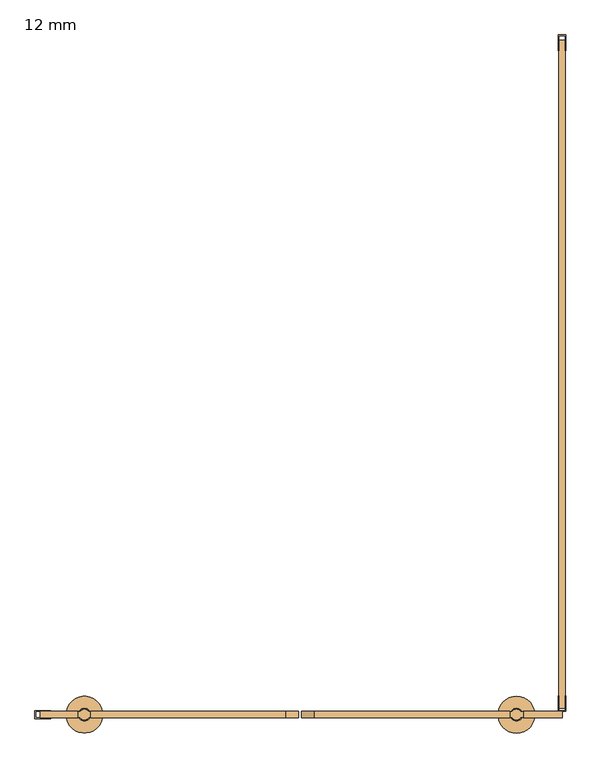
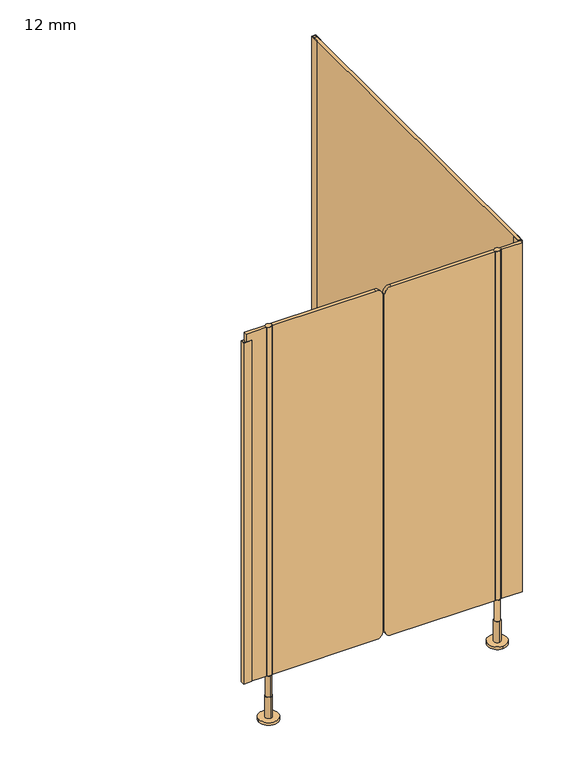
"""IFC4 building model written with IfcOpenShell, lengths in millimetres: door geometry, 12 mm."""

from ifc_helpers import new_model, si_unit, point, frame, frame_2d, origin, place, context, project, spatial, polyline, circle_curve, trimmed, segment, composite_curve, outline, extrude, source, transform, mapped, element, save
from ifc_brep_helpers import plane_surface, cylinder_surface, advanced_brep


def door_12_mm_d3f716bb(model_context):
    return source(origin(), model_context, "Body", "SolidModel", [
        advanced_brep(
        [(419.5, -1296.0, 170.0), (399.5, -1296.0, 170.0), (399.5, -1296.0, 90.0), (419.5, -1296.0, 90.0), (409.5, -1284.0, 90.0), (409.5, -1308.0, 90.0), (409.5, -1284.0, 10.0), (409.5, -1308.0, 10.0), (409.5, -1261.0, 10.0), (409.5, -1331.0, 10.0), (409.5, -1261.0, 0.0), (409.5, -1331.0, 0.0)],
        [
            (0, 1, circle_curve(frame((409.5, -1296.0, 170.0), z_axis=(0.0, 0.0, 1.0), x_axis=(-1.0, 0.0, 0.0)), 10.0)),
            (1, 0, circle_curve(frame((409.5, -1296.0, 170.0), z_axis=(0.0, 0.0, 1.0), x_axis=(-1.0, 0.0, 0.0)), 10.0)),
            (1, 2),
            (2, 3, circle_curve(frame((409.5, -1296.0, 90.0), z_axis=(0.0, 0.0, 1.0), x_axis=(-1.0, 0.0, 0.0)), 10.0)),
            (3, 0),
            (3, 2, circle_curve(frame((409.5, -1296.0, 90.0), z_axis=(0.0, 0.0, 1.0), x_axis=(-1.0, 0.0, 0.0)), 10.0)),
            (4, 5, circle_curve(frame((409.5, -1296.0, 90.0), z_axis=(0.0, 0.0, 1.0), x_axis=(0.0, -1.0, 0.0)), 12.0)),
            (5, 4, circle_curve(frame((409.5, -1296.0, 90.0), z_axis=(0.0, 0.0, 1.0), x_axis=(0.0, -1.0, 0.0)), 12.0)),
            (4, 6),
            (6, 7, circle_curve(frame((409.5, -1296.0, 10.0), z_axis=(0.0, 0.0, 1.0), x_axis=(0.0, -1.0, 0.0)), 12.0)),
            (7, 5),
            (7, 6, circle_curve(frame((409.5, -1296.0, 10.0), z_axis=(0.0, 0.0, 1.0), x_axis=(0.0, -1.0, 0.0)), 12.0)),
            (8, 9, circle_curve(frame((409.5, -1296.0, 10.0), z_axis=(0.0, 0.0, 1.0), x_axis=(0.0, -1.0, 0.0)), 35.0)),
            (9, 8, circle_curve(frame((409.5, -1296.0, 10.0), z_axis=(0.0, 0.0, 1.0), x_axis=(0.0, -1.0, 0.0)), 35.0)),
            (10, 11, circle_curve(frame((409.5, -1296.0, 0.0), z_axis=(0.0, 0.0, -1.0), x_axis=(0.0, -1.0, 0.0)), 35.0)),
            (11, 10, circle_curve(frame((409.5, -1296.0, 0.0), z_axis=(0.0, 0.0, -1.0), x_axis=(0.0, -1.0, 0.0)), 35.0)),
            (8, 10),
            (11, 9),
        ],
        [
            plane_surface(frame((409.5, -1290.0, 170.0), z_axis=(0.0, 0.0, 1.0), x_axis=(0.0, -1.0, 0.0))),
            cylinder_surface(frame((409.5, -1296.0, 90.0), z_axis=(0.0, 0.0, -1.0), x_axis=(-1.0, 0.0, 0.0)), 10.0),
            plane_surface(frame((409.5, -1290.0, 90.0), z_axis=(0.0, 0.0, 1.0), x_axis=(0.0, -1.0, 0.0))),
            cylinder_surface(frame((409.5, -1296.0, 90.0), z_axis=(0.0, 0.0, 1.0), x_axis=(0.0, -1.0, 0.0)), 12.0),
            plane_surface(frame((409.5, -1290.0, 10.0), z_axis=(0.0, 0.0, 1.0), x_axis=(0.0, -1.0, 0.0))),
            plane_surface(frame((409.5, -1290.0, 0.0), z_axis=(0.0, 0.0, -1.0), x_axis=(0.0, -1.0, 0.0))),
            cylinder_surface(frame((409.5, -1296.0, 10.0), z_axis=(0.0, 0.0, 1.0), x_axis=(0.0, -1.0, 0.0)), 35.0),
        ],
        [
            (0, [[1, 2]]),
            (1, [[-2, 3, 4, 5]]),
            (1, [[-1, -5, 6, -3]]),
            (2, [[7, 8], [-4, -6]]),
            (3, [[-7, 9, 10, 11]]),
            (3, [[-8, -11, 12, -9]]),
            (4, [[13, 14], [-10, -12]]),
            (5, [[15, 16]]),
            (6, [[-13, 17, -16, 18]]),
            (6, [[-14, -18, -15, -17]]),
        ],
    ),
        advanced_brep(
        [(-415.0, -1306.0, 170.0), (-415.0, -1286.0, 170.0), (-415.0, -1286.0, 90.0), (-415.0, -1306.0, 90.0), (-415.0, -1284.0, 90.0), (-415.0, -1308.0, 90.0), (-415.0, -1284.0, 10.0), (-415.0, -1308.0, 10.0), (-380.0, -1296.0, 0.0), (-450.0, -1296.0, 0.0), (-380.0, -1296.0, 10.0), (-450.0, -1296.0, 10.0)],
        [
            (0, 1, circle_curve(frame((-415.0, -1296.0, 170.0), z_axis=(0.0, 0.0, -1.0), x_axis=(0.0, -1.0, 0.0)), 10.0)),
            (1, 2),
            (2, 3, circle_curve(frame((-415.0, -1296.0, 90.0), z_axis=(0.0, 0.0, 1.0), x_axis=(0.0, -1.0, 0.0)), 10.0)),
            (3, 0),
            (1, 0, circle_curve(frame((-415.0, -1296.0, 170.0), z_axis=(0.0, 0.0, -1.0), x_axis=(0.0, -1.0, 0.0)), 10.0)),
            (3, 2, circle_curve(frame((-415.0, -1296.0, 90.0), z_axis=(0.0, 0.0, 1.0), x_axis=(0.0, -1.0, 0.0)), 10.0)),
            (4, 5, circle_curve(frame((-415.0, -1296.0, 90.0), z_axis=(0.0, 0.0, 1.0), x_axis=(0.0, -1.0, 0.0)), 12.0)),
            (5, 4, circle_curve(frame((-415.0, -1296.0, 90.0), z_axis=(0.0, 0.0, 1.0), x_axis=(0.0, -1.0, 0.0)), 12.0)),
            (4, 6),
            (6, 7, circle_curve(frame((-415.0, -1296.0, 10.0), z_axis=(0.0, 0.0, 1.0), x_axis=(0.0, -1.0, 0.0)), 12.0)),
            (7, 5),
            (7, 6, circle_curve(frame((-415.0, -1296.0, 10.0), z_axis=(0.0, 0.0, 1.0), x_axis=(0.0, -1.0, 0.0)), 12.0)),
            (8, 9, circle_curve(frame((-415.0, -1296.0, 0.0), z_axis=(0.0, 0.0, -1.0), x_axis=(-1.0, 0.0, 0.0)), 35.0)),
            (9, 8, circle_curve(frame((-415.0, -1296.0, 0.0), z_axis=(0.0, 0.0, -1.0), x_axis=(-1.0, 0.0, 0.0)), 35.0)),
            (10, 11, circle_curve(frame((-415.0, -1296.0, 10.0), z_axis=(0.0, 0.0, 1.0), x_axis=(-1.0, 0.0, 0.0)), 35.0)),
            (11, 10, circle_curve(frame((-415.0, -1296.0, 10.0), z_axis=(0.0, 0.0, 1.0), x_axis=(-1.0, 0.0, 0.0)), 35.0)),
            (8, 10),
            (11, 9),
        ],
        [
            cylinder_surface(frame((-415.0, -1296.0, 170.0), z_axis=(0.0, 0.0, 1.0), x_axis=(0.0, -1.0, 0.0)), 10.0),
            plane_surface(frame((-415.0, -1290.0, 90.0), z_axis=(0.0, 0.0, 1.0), x_axis=(0.0, -1.0, 0.0))),
            cylinder_surface(frame((-415.0, -1296.0, 90.0), z_axis=(0.0, 0.0, 1.0), x_axis=(0.0, -1.0, 0.0)), 12.0),
            plane_surface(frame((-415.0, -1290.0, 0.0), z_axis=(0.0, 0.0, -1.0), x_axis=(0.0, -1.0, 0.0))),
            plane_surface(frame((-415.0, -1290.0, 10.0), z_axis=(0.0, 0.0, 1.0), x_axis=(0.0, -1.0, 0.0))),
            cylinder_surface(frame((-415.0, -1296.0, 0.0), z_axis=(0.0, 0.0, -1.0), x_axis=(-1.0, 0.0, 0.0)), 35.0),
            plane_surface(frame((-415.0, -1290.0, 170.0), z_axis=(0.0, 0.0, 1.0), x_axis=(0.0, -1.0, 0.0))),
        ],
        [
            (0, [[1, 2, 3, 4]]),
            (0, [[5, -4, 6, -2]]),
            (1, [[7, 8], [-3, -6]]),
            (2, [[-7, 9, 10, 11]]),
            (2, [[-8, -11, 12, -9]]),
            (3, [[13, 14]]),
            (4, [[15, 16], [-10, -12]]),
            (5, [[-13, 17, -16, 18]]),
            (5, [[-14, -18, -15, -17]]),
            (6, [[-1, -5]]),
        ],
    ),
        extrude(outline(composite_curve([segment(polyline([(170.0, 396.5), (1500.0, 396.5), (1500.0, 24.5002203)]), True, "CONTINUOUS"), segment(trimmed(circle_curve(frame_2d((1475.0, 24.5002203)), 25.0), [point((1500.0, 24.5002203))], [point((1475.0, -0.4997797))], False, "CARTESIAN"), True, "CONTINUOUS"), segment(polyline([(1475.0, -0.4997797), (195.0, -0.4997797)]), True, "CONTINUOUS"), segment(trimmed(circle_curve(frame_2d((195.0, 24.5002203)), 25.0), [point((195.0, -0.4997797))], [point((170.0, 24.5002203))], False, "CARTESIAN"), True, "CONTINUOUS"), segment(polyline([(170.0, 24.5002203), (170.0, 396.5)]), True, "CONTINUOUS")], self_intersect=False)), frame((0.0, -1302.0, 0.0), z_axis=(0.0, 1.0, 0.0), x_axis=(0.0, 0.0, 1.0)), (0.0, 0.0, 1.0), 12.0),
        extrude(outline(composite_curve([segment(polyline([(1500.0, -403.5), (170.0, -403.5), (170.0, -31.5002203)]), True, "CONTINUOUS"), segment(trimmed(circle_curve(frame_2d((195.0, -31.5002203)), 25.0), [point((170.0, -31.5002203))], [point((195.0, -6.5002203))], False, "CARTESIAN"), True, "CONTINUOUS"), segment(polyline([(195.0, -6.5002203), (1475.0, -6.5002203)]), True, "CONTINUOUS"), segment(trimmed(circle_curve(frame_2d((1475.0, -31.5002203)), 25.0), [point((1475.0, -6.5002203))], [point((1500.0, -31.5002203))], False, "CARTESIAN"), True, "CONTINUOUS"), segment(polyline([(1500.0, -31.5002203), (1500.0, -403.5)]), True, "CONTINUOUS")], self_intersect=False)), frame((0.0, -1302.0, 0.0), z_axis=(0.0, 1.0, 0.0), x_axis=(0.0, 0.0, 1.0)), (0.0, 0.0, 1.0), 12.0),
        extrude(outline(composite_curve([segment(trimmed(circle_curve(frame_2d((-415.0, -1296.0)), 10.0), [point((-423.0, -1290.0))], [point((-407.0, -1290.0))], False, "CARTESIAN"), True, "CONTINUOUS"), segment(trimmed(circle_curve(frame_2d((-415.0, -1296.0)), 10.0), [point((-407.0, -1290.0))], [point((-406.3391323, -1291.0010631))], False, "CARTESIAN"), True, "CONTINUOUS"), segment(polyline([(-406.3391323, -1291.0010631), (-403.5, -1291.0010631), (-403.5, -1300.9989369), (-406.3391323, -1300.9989369)]), True, "CONTINUOUS"), segment(trimmed(circle_curve(frame_2d((-415.0, -1296.0)), 10.0), [point((-406.3391323, -1300.9989369))], [point((-423.6608677, -1300.9989369))], False, "CARTESIAN"), True, "CONTINUOUS"), segment(polyline([(-423.6608677, -1300.9989369), (-426.5, -1300.9989369), (-426.5, -1291.0010631), (-423.6608677, -1291.0010631)]), True, "CONTINUOUS"), segment(trimmed(circle_curve(frame_2d((-415.0, -1296.0)), 10.0), [point((-423.6608677, -1291.0010631))], [point((-423.0, -1290.0))], False, "CARTESIAN"), True, "CONTINUOUS")], self_intersect=False)), frame((0.0, 0.0, 170.0), z_axis=(0.0, 0.0, 1.0), x_axis=(1.0, 0.0, 0.0)), (0.0, 0.0, 1.0), 1330.0),
        extrude(outline(composite_curve([segment(trimmed(circle_curve(frame_2d((409.5, -1296.0)), 10.0), [point((418.1608677, -1300.9989369))], [point((400.8391323, -1300.9989369))], False, "CARTESIAN"), True, "CONTINUOUS"), segment(polyline([(400.8391323, -1300.9989369), (396.5, -1300.9989369), (396.5, -1291.0010631), (400.8391323, -1291.0010631)]), True, "CONTINUOUS"), segment(trimmed(circle_curve(frame_2d((409.5, -1296.0)), 10.0), [point((400.8391323, -1291.0010631))], [point((418.1608677, -1291.0010631))], False, "CARTESIAN"), True, "CONTINUOUS"), segment(polyline([(418.1608677, -1291.0010631), (422.5, -1291.0010631), (422.5, -1300.9989369), (418.1608677, -1300.9989369)]), True, "CONTINUOUS")], self_intersect=False)), frame((0.0, 0.0, 170.0), z_axis=(0.0, 0.0, 1.0), x_axis=(1.0, 0.0, 0.0)), (0.0, 0.0, 1.0), 1330.0),
        extrude(outline(polyline([(489.0, 0.0), (504.0, 0.0), (504.0, -30.0), (502.5, -30.0), (502.5, -1.5), (490.5, -1.5), (490.5, -30.0), (489.0, -30.0), (489.0, 0.0)])), frame((0.0, 0.0, 170.0), z_axis=(0.0, 0.0, 1.0), x_axis=(1.0, 0.0, 0.0)), (0.0, 0.0, 1.0), 1330.0),
        extrude(outline(polyline([(-509.5, -1288.5), (-479.5, -1288.5), (-479.5, -1290.0), (-508.0, -1290.0), (-508.0, -1302.0), (-479.5, -1302.0), (-479.5, -1303.5), (-509.5, -1303.5), (-509.5, -1288.5)])), frame((0.0, 0.0, 170.0), z_axis=(0.0, 0.0, 1.0), x_axis=(1.0, 0.0, 0.0)), (0.0, 0.0, 1.0), 1300.0),
        extrude(outline(polyline([(422.5, -1290.0), (496.5, -1290.0), (496.5, -1302.0), (422.5, -1302.0), (422.5, -1290.0)])), frame((0.0, 0.0, 170.0), z_axis=(0.0, 0.0, 1.0), x_axis=(1.0, 0.0, 0.0)), (0.0, 0.0, 1.0), 1330.0),
        extrude(outline(polyline([(-426.5, -1290.0), (-426.5, -1302.0), (-499.5, -1302.0), (-499.5, -1290.0), (-426.5, -1290.0)])), frame((0.0, 0.0, 170.0), z_axis=(0.0, 0.0, 1.0), x_axis=(1.0, 0.0, 0.0)), (0.0, 0.0, 1.0), 1330.0),
        extrude(outline(polyline([(504.0, -1290.0), (489.0, -1290.0), (489.0, -1260.0), (490.5, -1260.0), (490.5, -1288.5), (502.5, -1288.5), (502.5, -1260.0), (504.0, -1260.0), (504.0, -1290.0)])), frame((0.0, 0.0, 170.0), z_axis=(0.0, 0.0, 1.0), x_axis=(1.0, 0.0, 0.0)), (0.0, 0.0, 1.0), 1330.0),
        extrude(outline(polyline([(502.5, -10.0), (502.5, -1284.0), (490.5, -1284.0), (490.5, -10.0), (502.5, -10.0)])), frame((0.0, 0.0, 170.0), z_axis=(0.0, 0.0, 1.0), x_axis=(1.0, 0.0, 0.0)), (0.0, 0.0, 1.0), 1330.0),
    ])


if __name__ == "__main__":
    model = new_model("IFC4")
    model_context = context("Model", 3, world=origin())
    ifc_project = project(units=[si_unit("LENGTHUNIT", "METRE", prefix="MILLI")], contexts=[model_context])
    site = spatial("IfcSite", under=ifc_project)
    building = spatial("IfcBuilding", under=site)
    placement = place(None, origin())
    door_12_mm_shape = door_12_mm_d3f716bb(model_context)
    element("IfcDoor", 1, ObjectType="12 mm", at=placement, inside=building, context=model_context, shape_type="MappedRepresentation", body=[
        mapped(door_12_mm_shape, transform((0.0, 0.0, 0.0), x_axis=(1.0, 0.0, 0.0), y_axis=(0.0, 1.0, 0.0), z_axis=(0.0, 0.0, 1.0))),
    ])
    save(model, "model.ifc")
